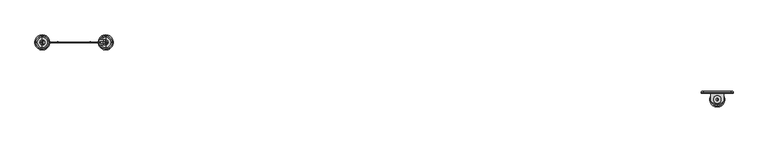
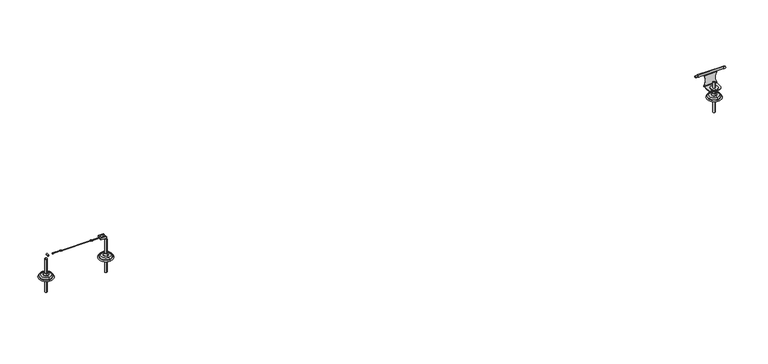
"""IFC4 building model written with IfcOpenShell, lengths in millimetres: proxy geometry."""

from ifc_helpers import new_model, si_unit, point, frame, frame_2d, origin, place, context, project, spatial, polyline, circle_curve, ellipse_curve, trimmed, segment, composite_curve, outline, extrude, source, transform, mapped, element, save
from ifc_brep_helpers import plane_surface, cylinder_surface, revolved_surface, advanced_brep


def specialty_equipment_7d4fa14a(model_context):
    return source(origin(), model_context, "Body", "SolidModel", [
        extrude(outline(composite_curve([segment(trimmed(circle_curve(frame_2d((4050.0, -42.6378375)), 22.5), [point((4050.0, -20.1378375))], [point((4050.0, -65.1378375))], False, "CARTESIAN"), True, "CONTINUOUS"), segment(trimmed(circle_curve(frame_2d((4050.0, -42.6378375)), 22.5), [point((4050.0, -65.1378375))], [point((4050.0, -20.1378375))], False, "CARTESIAN"), True, "CONTINUOUS")], self_intersect=False)), frame((0.0, 0.0, 60.0), z_axis=(0.0, 0.0, 1.0), x_axis=(1.0, 0.0, 0.0)), (0.0, 0.0, 1.0), 3.0),
        extrude(outline(polyline([(4060.3923048, -42.6378375), (4055.1961524, -51.6378375), (4044.8038476, -51.6378375), (4039.6076952, -42.6378375), (4044.8038476, -33.6378375), (4055.1961524, -33.6378375), (4060.3923048, -42.6378375)]), holes=[composite_curve([segment(trimmed(circle_curve(frame_2d((4050.0, -42.6378375)), 7.0), [point((4050.0, -49.6378375))], [point((4050.0, -35.6378375))], True, "CARTESIAN"), True, "CONTINUOUS"), segment(trimmed(circle_curve(frame_2d((4050.0, -42.6378375)), 7.0), [point((4050.0, -35.6378375))], [point((4050.0, -49.6378375))], True, "CARTESIAN"), True, "CONTINUOUS")], self_intersect=False)]), frame((0.0, 0.0, 44.0), z_axis=(0.0, 0.0, 1.0), x_axis=(1.0, 0.0, 0.0)), (0.0, 0.0, 1.0), 10.0),
        extrude(outline(composite_curve([segment(trimmed(circle_curve(frame_2d((4050.0, -42.6378375)), 22.5), [point((4027.5, -42.6378375))], [point((4072.5, -42.6378375))], False, "CARTESIAN"), True, "CONTINUOUS"), segment(trimmed(circle_curve(frame_2d((4050.0, -42.6378375)), 22.5), [point((4072.5, -42.6378375))], [point((4027.5, -42.6378375))], False, "CARTESIAN"), True, "CONTINUOUS")], self_intersect=False)), frame((0.0, 0.0, 54.0), z_axis=(0.0, 0.0, 1.0), x_axis=(1.0, 0.0, 0.0)), (0.0, 0.0, 1.0), 3.0),
        advanced_brep(
        [(4050.0, -35.6378375, 0.0), (4050.0, -49.6378375, 0.0), (4050.0, -87.5, 0.0), (4050.0, 2.2243251, 0.0), (4050.0, -35.6378375, -100.0), (4050.0, -49.6378375, -100.0), (4050.0, -42.6378375, -100.0), (4050.0, -35.6378375, 100.0), (4050.0, -49.6378375, 100.0), (4050.0, -42.6378375, 100.0), (4050.0, -35.6378375, 27.7539053), (4050.0, -49.6378375, 27.7539053), (4050.0, -29.1390573, 17.8765248), (4050.0, -56.1366177, 17.8765248), (4050.0, -50.7334934, 24.6304301), (4050.0, -34.5421815, 24.6304301), (4050.0, -12.6116231, 16.0), (4050.0, -72.6640518, 16.0), (4050.0, -60.0409617, 16.0), (4050.0, -25.2347132, 16.0), (4050.0, -5.1378375, 8.5262143), (4050.0, -80.1378375, 8.5262143), (4050.0, -5.1378375, 6.8656759), (4050.0, -80.1378375, 6.8656759), (4050.0, -4.3273689, 5.8712826), (4050.0, -80.948306, 5.8712826)],
        [
            (0, 1, circle_curve(frame((4050.0, -42.6378375, 0.0), z_axis=(0.0, 0.0, 1.0), x_axis=(0.0, -1.0, 0.0)), 7.0)),
            (1, 2),
            (2, 3, circle_curve(frame((4050.0, -42.6378375, 0.0), z_axis=(0.0, 0.0, -1.0), x_axis=(0.0, -1.0, 0.0)), 44.8621625)),
            (3, 0),
            (1, 0, circle_curve(frame((4050.0, -42.6378375, 0.0), z_axis=(0.0, 0.0, 1.0), x_axis=(0.0, -1.0, 0.0)), 7.0)),
            (3, 2, circle_curve(frame((4050.0, -42.6378375, 0.0), z_axis=(0.0, 0.0, -1.0), x_axis=(0.0, -1.0, 0.0)), 44.8621625)),
            (4, 5, circle_curve(frame((4050.0, -42.6378375, -100.0), z_axis=(0.0, 0.0, 1.0), x_axis=(0.0, -1.0, 0.0)), 7.0)),
            (5, 1),
            (0, 4),
            (5, 4, circle_curve(frame((4050.0, -42.6378375, -100.0), z_axis=(0.0, 0.0, 1.0), x_axis=(0.0, -1.0, 0.0)), 7.0)),
            (6, 5),
            (4, 6),
            (7, 8, circle_curve(frame((4050.0, -42.6378375, 100.0), z_axis=(0.0, 0.0, 1.0), x_axis=(0.0, -1.0, 0.0)), 7.0)),
            (8, 9),
            (9, 7),
            (8, 7, circle_curve(frame((4050.0, -42.6378375, 100.0), z_axis=(0.0, 0.0, 1.0), x_axis=(0.0, -1.0, 0.0)), 7.0)),
            (10, 11, circle_curve(frame((4050.0, -42.6378375, 27.7539053), z_axis=(0.0, 0.0, 1.0), x_axis=(0.0, -1.0, 0.0)), 7.0)),
            (11, 8),
            (7, 10),
            (11, 10, circle_curve(frame((4050.0, -42.6378375, 27.7539053), z_axis=(0.0, 0.0, 1.0), x_axis=(0.0, -1.0, 0.0)), 7.0)),
            (12, 13, circle_curve(frame((4050.0, -42.6378375, 17.8765248), z_axis=(0.0, 0.0, 1.0), x_axis=(0.0, -1.0, 0.0)), 13.4987802)),
            (13, 14),
            (14, 15, circle_curve(frame((4050.0, -42.6378375, 24.6304301), z_axis=(0.0, 0.0, -1.0), x_axis=(0.0, -1.0, 0.0)), 8.095656)),
            (15, 12),
            (13, 12, circle_curve(frame((4050.0, -42.6378375, 17.8765248), z_axis=(0.0, 0.0, 1.0), x_axis=(0.0, -1.0, 0.0)), 13.4987802)),
            (15, 14, circle_curve(frame((4050.0, -42.6378375, 24.6304301), z_axis=(0.0, 0.0, -1.0), x_axis=(0.0, -1.0, 0.0)), 8.095656)),
            (16, 17, circle_curve(frame((4050.0, -42.6378375, 16.0), z_axis=(0.0, 0.0, 1.0), x_axis=(0.0, -1.0, 0.0)), 30.0262143)),
            (17, 18),
            (18, 19, circle_curve(frame((4050.0, -42.6378375, 16.0), z_axis=(0.0, 0.0, -1.0), x_axis=(0.0, -1.0, 0.0)), 17.4031242)),
            (19, 16),
            (17, 16, circle_curve(frame((4050.0, -42.6378375, 16.0), z_axis=(0.0, 0.0, 1.0), x_axis=(0.0, -1.0, 0.0)), 30.0262143)),
            (19, 18, circle_curve(frame((4050.0, -42.6378375, 16.0), z_axis=(0.0, 0.0, -1.0), x_axis=(0.0, -1.0, 0.0)), 17.4031242)),
            (20, 21, circle_curve(frame((4050.0, -42.6378375, 8.5262143), z_axis=(0.0, 0.0, 1.0), x_axis=(0.0, -1.0, 0.0)), 37.5)),
            (21, 17, circle_curve(frame((4050.0, -72.6640518, 8.5262143), z_axis=(-1.0, 0.0, 0.0), x_axis=(0.0, 1.0, 0.0)), 7.4737857)),
            (16, 20, circle_curve(frame((4050.0, -12.6116231, 8.5262143), z_axis=(-1.0, 0.0, 0.0), x_axis=(0.0, -1.0, 0.0)), 7.4737857)),
            (21, 20, circle_curve(frame((4050.0, -42.6378375, 8.5262143), z_axis=(0.0, 0.0, 1.0), x_axis=(0.0, -1.0, 0.0)), 37.5)),
            (22, 23, circle_curve(frame((4050.0, -42.6378375, 6.8656759), z_axis=(0.0, 0.0, 1.0), x_axis=(0.0, -1.0, 0.0)), 37.5)),
            (23, 21),
            (20, 22),
            (23, 22, circle_curve(frame((4050.0, -42.6378375, 6.8656759), z_axis=(0.0, 0.0, 1.0), x_axis=(0.0, -1.0, 0.0)), 37.5)),
            (14, 11, circle_curve(frame((4050.0, -54.6378375, 27.7539053), z_axis=(1.0, 0.0, 0.0), x_axis=(0.0, 1.0, 0.0)), 5.0)),
            (10, 15, circle_curve(frame((4050.0, -30.6378375, 27.7539053), z_axis=(1.0, 0.0, 0.0), x_axis=(0.0, -1.0, 0.0)), 5.0)),
            (18, 13, circle_curve(frame((4050.0, -60.0409617, 21.0), z_axis=(1.0, 0.0, 0.0), x_axis=(0.0, 1.0, 0.0)), 5.0)),
            (12, 19, circle_curve(frame((4050.0, -25.2347132, 21.0), z_axis=(1.0, 0.0, 0.0), x_axis=(0.0, -1.0, 0.0)), 5.0)),
            (24, 25, circle_curve(frame((4050.0, -42.6378375, 5.8712826), z_axis=(0.0, 0.0, 1.0), x_axis=(0.0, -1.0, 0.0)), 38.3104685)),
            (25, 23, circle_curve(frame((4050.0, -81.1531003, 6.8656759), z_axis=(1.0, 0.0, 0.0), x_axis=(0.0, 1.0, 0.0)), 1.0152629)),
            (22, 24, circle_curve(frame((4050.0, -4.1225746, 6.8656759), z_axis=(1.0, 0.0, 0.0), x_axis=(0.0, -1.0, 0.0)), 1.0152629)),
            (25, 24, circle_curve(frame((4050.0, -42.6378375, 5.8712826), z_axis=(0.0, 0.0, 1.0), x_axis=(0.0, -1.0, 0.0)), 38.3104685)),
            (2, 25, circle_curve(frame((4050.0, -79.1858246, -2.686569), z_axis=(-1.0, 0.0, 0.0), x_axis=(0.0, 1.0, 0.0)), 8.7374576)),
            (24, 3, circle_curve(frame((4050.0, -6.0898503, -2.686569), z_axis=(-1.0, 0.0, 0.0), x_axis=(0.0, -1.0, 0.0)), 8.7374576)),
        ],
        [
            plane_surface(frame((4050.0, -42.6378375, 0.0), z_axis=(0.0, 0.0, -1.0), x_axis=(0.0, -1.0, 0.0))),
            cylinder_surface(frame((4050.0, -42.6378375, 93.0), z_axis=(0.0, 0.0, -1.0), x_axis=(0.0, -1.0, 0.0)), 7.0),
            plane_surface(frame((4050.0, -42.6378375, -100.0), z_axis=(0.0, 0.0, -1.0), x_axis=(0.0, -1.0, 0.0))),
            plane_surface(frame((4050.0, -42.6378375, 100.0), z_axis=(0.0, 0.0, 1.0), x_axis=(0.0, -1.0, 0.0))),
            revolved_surface(polyline([(4050.0, -50.7334934, 24.6304301), (4050.0, -56.1366177, 17.8765248)]), (4050.0, -42.6378375, 93.0), (0.0, 0.0, -1.0)),
            plane_surface(frame((4050.0, -42.6378375, 16.0), z_axis=(0.0, 0.0, 1.0), x_axis=(0.0, -1.0, 0.0))),
            revolved_surface(trimmed(ellipse_curve(frame((4050.0, -72.6640518, 8.5262143), z_axis=(1.0, 0.0, 0.0), x_axis=(0.0, 1.0, 0.0)), 7.4737857, 7.4737857), [point((4050.0, -72.6640518, 16.0))], [point((4050.0, -80.1378375, 8.5262143))], True, "CARTESIAN"), (4050.0, -42.6378375, 93.0), (0.0, 0.0, -1.0)),
            cylinder_surface(frame((4050.0, -42.6378375, 93.0), z_axis=(0.0, 0.0, -1.0), x_axis=(0.0, -1.0, 0.0)), 37.5),
            revolved_surface(trimmed(ellipse_curve(frame((4050.0, -54.6378375, 27.7539053), z_axis=(-1.0, 0.0, 0.0), x_axis=(0.0, 1.0, 0.0)), 5.0, 5.0), [point((4050.0, -49.6378375, 27.7539053))], [point((4050.0, -50.7334934, 24.6304301))], True, "CARTESIAN"), (4050.0, -42.6378375, 93.0), (0.0, 0.0, -1.0)),
            revolved_surface(trimmed(ellipse_curve(frame((4050.0, -60.0409617, 21.0), z_axis=(-1.0, 0.0, 0.0), x_axis=(0.0, 1.0, 0.0)), 5.0, 5.0), [point((4050.0, -56.1366177, 17.8765248))], [point((4050.0, -60.0409617, 16.0))], True, "CARTESIAN"), (4050.0, -42.6378375, 93.0), (0.0, 0.0, -1.0)),
            revolved_surface(trimmed(ellipse_curve(frame((4050.0, -81.1531003, 6.8656759), z_axis=(-1.0, 0.0, 0.0), x_axis=(0.0, 1.0, 0.0)), 1.0152629, 1.0152629), [point((4050.0, -80.1378375, 6.8656759))], [point((4050.0, -80.948306, 5.8712826))], True, "CARTESIAN"), (4050.0, -42.6378375, 93.0), (0.0, 0.0, -1.0)),
            revolved_surface(trimmed(ellipse_curve(frame((4050.0, -79.1858246, -2.686569), z_axis=(1.0, 0.0, 0.0), x_axis=(0.0, 1.0, 0.0)), 8.7374576, 8.7374576), [point((4050.0, -80.948306, 5.8712826))], [point((4050.0, -87.5, 0.0))], True, "CARTESIAN"), (4050.0, -42.6378375, 93.0), (0.0, 0.0, -1.0)),
        ],
        [
            (0, [[1, 2, 3, 4]]),
            (0, [[5, -4, 6, -2]]),
            (1, [[7, 8, -1, 9]]),
            (1, [[10, -9, -5, -8]]),
            (2, [[11, -7, 12]]),
            (2, [[-12, -10, -11]]),
            (3, [[13, 14, 15]]),
            (3, [[16, -15, -14]]),
            (1, [[17, 18, -13, 19]]),
            (1, [[20, -19, -16, -18]]),
            (4, [[21, 22, 23, 24]]),
            (4, [[25, -24, 26, -22]]),
            (5, [[27, 28, 29, 30]]),
            (5, [[31, -30, 32, -28]]),
            (6, [[33, 34, -27, 35]]),
            (6, [[36, -35, -31, -34]]),
            (7, [[37, 38, -33, 39]]),
            (7, [[40, -39, -36, -38]]),
            (8, [[-23, 41, -17, 42]]),
            (8, [[-26, -42, -20, -41]]),
            (9, [[-29, 43, -21, 44]]),
            (9, [[-32, -44, -25, -43]]),
            (10, [[45, 46, -37, 47]]),
            (10, [[48, -47, -40, -46]]),
            (11, [[-3, 49, -45, 50]]),
            (11, [[-6, -50, -48, -49]]),
        ],
    ),
        advanced_brep(
        [(4090.0, -1.0, 57.0), (4090.0, 2.0, 60.0), (4090.0, 2.0, 63.0), (4090.0, -1.0, 63.0), (4090.0, -4.0, 60.0), (4090.0, -38.5, 60.0), (4090.0, -38.5, 57.0), (4090.0, 2.0, 130.6941216), (4090.0, 2.1809221, 131.6278656), (4090.0, 4.1490388, 138.4964536), (4090.0, 0.0, 137.0), (4090.0, -3.3038426, 137.9022661), (4090.0, -1.1809221, 131.720182), (4090.0, -1.0, 130.6941216), (4010.0, -4.0, 60.0), (4010.0, -1.0, 63.0), (4010.0, 2.0, 63.0), (4010.0, 2.0, 60.0), (4010.0, -1.0, 57.0), (4010.0, -38.5, 57.0), (4010.0, -38.5, 60.0), (4010.0, -1.0, 130.6941216), (4010.0, -1.1809221, 131.720182), (4010.0, -3.3038426, 137.9022661), (4010.0, 0.0, 137.0), (4010.0, 4.1490388, 138.4964536), (4010.0, 2.1809221, 131.6278656), (4010.0, 2.0, 130.6941216), (4040.0, -68.5, 60.0), (4060.0, -68.5, 60.0), (4040.0, -68.5, 57.0), (4060.0, -68.5, 57.0), (3970.0881149, 0.0, 137.0), (3970.0881149, 0.0, 150.0), (4129.9118851, 0.0, 150.0), (4129.9118851, 0.0, 137.0), (4144.9999054, 0.0, 138.5), (4144.9999054, 0.0, 148.5), (3955.0000946, 0.0, 148.5), (3955.0000946, 0.0, 138.5), (3965.411439, 0.0, 149.7256681), (3965.411439, 0.0, 137.2743319), (4134.588561, 0.0, 137.2743319), (4134.588561, 0.0, 149.7256681)],
        [
            (0, 1, circle_curve(frame((4090.0, -1.0, 60.0), z_axis=(1.0, 0.0, 0.0), x_axis=(0.0, 1.0, 0.0)), 3.0)),
            (1, 2),
            (2, 3),
            (3, 4, circle_curve(frame((4090.0, -4.0, 63.0), z_axis=(-1.0, 0.0, 0.0), x_axis=(0.0, 1.0, 0.0)), 3.0)),
            (4, 5),
            (5, 6),
            (6, 0),
            (7, 8, circle_curve(frame((4090.0, 4.5, 130.6941216), z_axis=(-1.0, 0.0, 0.0), x_axis=(0.0, 1.0, 0.0)), 2.5)),
            (8, 9),
            (9, 10, circle_curve(frame((4090.0, 0.0, 143.5), z_axis=(-1.0, 0.0, 0.0), x_axis=(0.0, 0.0, 1.0)), 6.5)),
            (10, 11, circle_curve(frame((4090.0, 0.0, 143.5), z_axis=(-1.0, 0.0, 0.0), x_axis=(0.0, 0.0, 1.0)), 6.5)),
            (11, 12),
            (12, 13, circle_curve(frame((4090.0, -4.0, 130.6941216), z_axis=(-1.0, 0.0, 0.0), x_axis=(0.0, 1.0, 0.0)), 3.0)),
            (13, 7),
            (14, 15, circle_curve(frame((4010.0, -4.0, 63.0), z_axis=(1.0, 0.0, 0.0), x_axis=(0.0, 1.0, 0.0)), 3.0)),
            (15, 16),
            (16, 17),
            (17, 18, circle_curve(frame((4010.0, -1.0, 60.0), z_axis=(-1.0, 0.0, 0.0), x_axis=(0.0, 1.0, 0.0)), 3.0)),
            (18, 19),
            (19, 20),
            (20, 14),
            (21, 22, circle_curve(frame((4010.0, -4.0, 130.6941216), z_axis=(1.0, 0.0, 0.0), x_axis=(0.0, 1.0, 0.0)), 3.0)),
            (22, 23),
            (23, 24, circle_curve(frame((4010.0, 0.0, 143.5), z_axis=(1.0, 0.0, 0.0), x_axis=(0.0, 0.0, 1.0)), 6.5)),
            (24, 25, circle_curve(frame((4010.0, 0.0, 143.5), z_axis=(1.0, 0.0, 0.0), x_axis=(0.0, 0.0, 1.0)), 6.5)),
            (25, 26),
            (26, 27, circle_curve(frame((4010.0, 4.5, 130.6941216), z_axis=(1.0, 0.0, 0.0), x_axis=(0.0, 1.0, 0.0)), 2.5)),
            (27, 21),
            (0, 18),
            (17, 1),
            (16, 27, circle_curve(frame((3948.7270331, 2.0, 96.8470608), z_axis=(0.0, -1.0, 0.0), x_axis=(0.0, 0.0, 1.0)), 70.0)),
            (27, 7),
            (7, 2, circle_curve(frame((4151.2729669, 2.0, 96.8470608), z_axis=(0.0, -1.0, 0.0), x_axis=(0.0, 0.0, 1.0)), 70.0)),
            (3, 15),
            (14, 4),
            (20, 28, circle_curve(frame((4040.0, -38.5, 60.0), z_axis=(0.0, 0.0, 1.0), x_axis=(1.0, 0.0, 0.0)), 30.0)),
            (28, 29),
            (29, 5, circle_curve(frame((4060.0, -38.5, 60.0), z_axis=(0.0, 0.0, 1.0), x_axis=(1.0, 0.0, 0.0)), 30.0)),
            (28, 30),
            (30, 31),
            (31, 29),
            (6, 31, circle_curve(frame((4060.0, -38.5, 57.0), z_axis=(0.0, 0.0, -1.0), x_axis=(1.0, 0.0, 0.0)), 30.0)),
            (30, 19, circle_curve(frame((4040.0, -38.5, 57.0), z_axis=(0.0, 0.0, -1.0), x_axis=(1.0, 0.0, 0.0)), 30.0)),
            (3, 13, circle_curve(frame((4151.2729669, -1.0, 96.8470608), z_axis=(0.0, 1.0, 0.0), x_axis=(0.0, 0.0, 1.0)), 70.0)),
            (13, 21),
            (21, 15, circle_curve(frame((3948.7270331, -1.0, 96.8470608), z_axis=(0.0, 1.0, 0.0), x_axis=(0.0, 0.0, 1.0)), 70.0)),
            (8, 26),
            (25, 9),
            (22, 12),
            (11, 23),
            (32, 33, circle_curve(frame((3970.0881149, 0.0, 143.5), z_axis=(1.0, 0.0, 0.0), x_axis=(0.0, 0.0, 1.0)), 6.5)),
            (33, 34),
            (34, 35, circle_curve(frame((4129.9118851, 0.0, 143.5), z_axis=(-1.0, 0.0, 0.0), x_axis=(0.0, 0.0, 1.0)), 6.5)),
            (35, 10),
            (24, 32),
            (33, 32, circle_curve(frame((3970.0881149, 0.0, 143.5), z_axis=(1.0, 0.0, 0.0), x_axis=(0.0, 0.0, 1.0)), 6.5)),
            (35, 34, circle_curve(frame((4129.9118851, 0.0, 143.5), z_axis=(-1.0, 0.0, 0.0), x_axis=(0.0, 0.0, 1.0)), 6.5)),
            (36, 37, circle_curve(frame((4144.9999054, 0.0, 143.5), z_axis=(1.0, 0.0, 0.0), x_axis=(0.0, 0.0, 1.0)), 5.0)),
            (37, 38),
            (38, 39, circle_curve(frame((3955.0000946, 0.0, 143.5), z_axis=(-1.0, 0.0, 0.0), x_axis=(0.0, 0.0, 1.0)), 5.0)),
            (39, 36),
            (37, 36, circle_curve(frame((4144.9999054, 0.0, 143.5), z_axis=(1.0, 0.0, 0.0), x_axis=(0.0, 0.0, 1.0)), 5.0)),
            (39, 38, circle_curve(frame((3955.0000946, 0.0, 143.5), z_axis=(-1.0, 0.0, 0.0), x_axis=(0.0, 0.0, 1.0)), 5.0)),
            (38, 40),
            (40, 41, circle_curve(frame((3965.411439, 0.0, 143.5), z_axis=(-1.0, 0.0, 0.0), x_axis=(0.0, 0.0, 1.0)), 6.2256681)),
            (41, 39),
            (41, 40, circle_curve(frame((3965.411439, 0.0, 143.5), z_axis=(-1.0, 0.0, 0.0), x_axis=(0.0, 0.0, 1.0)), 6.2256681)),
            (36, 42),
            (42, 43, circle_curve(frame((4134.588561, 0.0, 143.5), z_axis=(1.0, 0.0, 0.0), x_axis=(0.0, 0.0, 1.0)), 6.2256681)),
            (43, 37),
            (43, 42, circle_curve(frame((4134.588561, 0.0, 143.5), z_axis=(1.0, 0.0, 0.0), x_axis=(0.0, 0.0, 1.0)), 6.2256681)),
            (34, 43, circle_curve(frame((4129.9118851, 0.0, 110.0), z_axis=(0.0, 1.0, 0.0), x_axis=(-1.0, 0.0, 0.0)), 40.0)),
            (42, 35, circle_curve(frame((4129.9118851, 0.0, 177.0), z_axis=(0.0, 1.0, 0.0), x_axis=(-1.0, 0.0, 0.0)), 40.0)),
            (32, 41, circle_curve(frame((3970.0881149, 0.0, 177.0), z_axis=(0.0, 1.0, 0.0), x_axis=(-1.0, 0.0, 0.0)), 40.0)),
            (40, 33, circle_curve(frame((3970.0881149, 0.0, 110.0), z_axis=(0.0, 1.0, 0.0), x_axis=(-1.0, 0.0, 0.0)), 40.0)),
        ],
        [
            plane_surface(frame((4090.0, 2.0, 60.0), z_axis=(1.0, 0.0, 0.0), x_axis=(0.0, 0.0, 1.0))),
            plane_surface(frame((4010.0, 2.0, 60.0), z_axis=(-1.0, 0.0, 0.0), x_axis=(0.0, 0.0, -1.0))),
            cylinder_surface(frame((4010.0, -1.0, 60.0), z_axis=(1.0, 0.0, 0.0), x_axis=(0.0, 1.0, 0.0)), 3.0),
            plane_surface(frame((4090.0, 2.0, 60.0), z_axis=(0.0, 1.0, 0.0), x_axis=(-1.0, 0.0, 0.0))),
            revolved_surface(polyline([(4010.0, -1.0, 63.0), (4090.0, -1.0, 63.0)]), (4010.0, -4.0, 63.0), (-1.0, 0.0, 0.0)),
            plane_surface(frame((4090.0, -4.0, 60.0), z_axis=(0.0, 0.0, 1.0), x_axis=(-1.0, 0.0, 0.0))),
            plane_surface(frame((4090.0, -68.5, 60.0), z_axis=(0.0, -1.0, 0.0), x_axis=(-1.0, 0.0, 0.0))),
            plane_surface(frame((4090.0, -68.5, 57.0), z_axis=(0.0, 0.0, -1.0), x_axis=(-1.0, 0.0, 0.0))),
            plane_surface(frame((4090.0, -1.0, 130.6941216), z_axis=(0.0, -1.0, 0.0), x_axis=(-1.0, 0.0, 0.0))),
            plane_surface(frame((4090.0, 2.1809221, 131.6278656), z_axis=(0.0, 0.9613143075666197, -0.2754538111330294), x_axis=(-1.0, 0.0, 0.0))),
            plane_surface(frame((4090.0, -3.5026758, 138.4812817), z_axis=(0.0, -0.9457886598192529, -0.3247827134520888), x_axis=(-1.0, 0.0, 0.0))),
            revolved_surface(polyline([(4010.0, 7.0, 130.6941216), (4090.0, 7.0, 130.6941216)]), (4010.0, 4.5, 130.6941216), (-1.0, 0.0, 0.0)),
            revolved_surface(polyline([(4010.0, -1.0, 130.6941216), (4090.0, -1.0, 130.6941216)]), (4010.0, -4.0, 130.6941216), (-1.0, 0.0, 0.0)),
            revolved_surface(polyline([(3948.7270331, 2.0, 166.8470608), (3948.7270331, -1.0, 166.8470608)]), (3948.7270331, -1.0, 96.8470608), (0.0, 1.0, 0.0)),
            revolved_surface(polyline([(4151.2729669, 2.0, 166.8470608), (4151.2729669, -1.0, 166.8470608)]), (4151.2729669, -1.0, 96.8470608), (0.0, 1.0, 0.0)),
            cylinder_surface(frame((4040.0, -38.5, 60.0), z_axis=(0.0, 0.0, 1.0), x_axis=(1.0, 0.0, 0.0)), 30.0),
            cylinder_surface(frame((4060.0, -38.5, 60.0), z_axis=(0.0, 0.0, 1.0), x_axis=(1.0, 0.0, 0.0)), 30.0),
            cylinder_surface(frame((3955.0, 0.0, 143.5), z_axis=(-1.0, 0.0, 0.0), x_axis=(0.0, 0.0, 1.0)), 6.5),
            revolved_surface(polyline([(3955.0000946, 0.0, 148.5), (4144.9999054, 0.0, 148.5)]), (3955.0, 0.0, 143.5), (-1.0, 0.0, 0.0)),
            revolved_surface(polyline([(3965.411439, 0.0, 149.7256681), (3955.0000946, 0.0, 148.5)]), (3955.0, 0.0, 143.5), (-1.0, 0.0, 0.0)),
            revolved_surface(polyline([(4144.9999054, 0.0, 148.5), (4134.588561, 0.0, 149.7256681)]), (3955.0, 0.0, 143.5), (-1.0, 0.0, 0.0)),
            revolved_surface(trimmed(ellipse_curve(frame((4129.9118851, 0.0, 110.0), z_axis=(0.0, -1.0, 0.0), x_axis=(-1.0, 0.0, 0.0)), 40.0, 40.0), [point((4134.588561, 0.0, 149.7256681))], [point((4129.9118851, 0.0, 150.0))], True, "CARTESIAN"), (3955.0, 0.0, 143.5), (-1.0, 0.0, 0.0)),
            revolved_surface(trimmed(ellipse_curve(frame((3970.0881149, 0.0, 110.0), z_axis=(0.0, -1.0, 0.0), x_axis=(-1.0, 0.0, 0.0)), 40.0, 40.0), [point((3970.0881149, 0.0, 150.0))], [point((3965.411439, 0.0, 149.7256681))], True, "CARTESIAN"), (3955.0, 0.0, 143.5), (-1.0, 0.0, 0.0)),
        ],
        [
            (0, [[1, 2, 3, 4, 5, 6, 7]]),
            (0, [[8, 9, 10, 11, 12, 13, 14]]),
            (1, [[15, 16, 17, 18, 19, 20, 21]]),
            (1, [[22, 23, 24, 25, 26, 27, 28]]),
            (2, [[-1, 29, -18, 30]]),
            (3, [[-30, -17, 31, 32, 33, -2]]),
            (4, [[-4, 34, -15, 35]]),
            (5, [[-35, -21, 36, 37, 38, -5]]),
            (6, [[-37, 39, 40, 41]]),
            (7, [[-29, -7, 42, -40, 43, -19]]),
            (8, [[-34, 44, 45, 46]]),
            (9, [[47, -26, 48, -9]]),
            (10, [[49, -12, 50, -23]]),
            (11, [[-8, -32, -27, -47]]),
            (12, [[-13, -49, -22, -45]]),
            (13, [[-16, -46, -28, -31]]),
            (14, [[-14, -44, -3, -33]]),
            (15, [[-20, -43, -39, -36]]),
            (16, [[-6, -38, -41, -42]]),
            (17, [[51, 52, 53, 54, -10, -48, -25, 55]]),
            (17, [[-52, 56, -55, -24, -50, -11, -54, 57]]),
            (18, [[58, 59, 60, 61]]),
            (18, [[-59, 62, -61, 63]]),
            (19, [[-60, 64, 65, 66]]),
            (19, [[-63, -66, 67, -64]]),
            (20, [[-58, 68, 69, 70]]),
            (20, [[-62, -70, 71, -68]]),
            (21, [[-53, 72, -69, 73]]),
            (21, [[-57, -73, -71, -72]]),
            (22, [[-51, 74, -65, 75]]),
            (22, [[-56, -75, -67, -74]]),
        ],
    ),
        advanced_brep(
        [(0.0, 345.0, 0.0), (0.0, 255.0, 0.0), (0.0, 293.0, 0.0), (0.0, 307.0, 0.0), (0.0, 293.0, -100.0), (0.0, 307.0, -100.0), (0.0, 300.0, -100.0), (0.0, 300.0, 121.6303144), (0.0, 293.1, 121.6303144), (0.0, 306.9, 121.6303144), (0.0, 293.1, 28.0512021), (0.0, 306.9, 28.0512021), (0.0, 307.995656, 24.9277269), (0.0, 292.004344, 24.9277269), (0.0, 286.3633823, 17.8765248), (0.0, 313.6366177, 17.8765248), (0.0, 317.5409617, 16.0), (0.0, 282.4590383, 16.0), (0.0, 269.8359482, 16.0), (0.0, 330.1640518, 16.0), (0.0, 262.3621625, 8.5262143), (0.0, 337.6378375, 8.5262143), (0.0, 262.3621625, 6.8656759), (0.0, 337.6378375, 6.8656759), (0.0, 261.551694, 5.8712826), (0.0, 338.448306, 5.8712826)],
        [
            (0, 1, circle_curve(frame((0.0, 300.0, 0.0), z_axis=(0.0, 0.0, -1.0), x_axis=(0.0, -1.0, 0.0)), 45.0)),
            (1, 2),
            (2, 3, circle_curve(frame((0.0, 300.0, 0.0), z_axis=(0.0, 0.0, 1.0), x_axis=(0.0, -1.0, 0.0)), 7.0)),
            (3, 0),
            (1, 0, circle_curve(frame((0.0, 300.0, 0.0), z_axis=(0.0, 0.0, -1.0), x_axis=(0.0, -1.0, 0.0)), 45.0)),
            (3, 2, circle_curve(frame((0.0, 300.0, 0.0), z_axis=(0.0, 0.0, 1.0), x_axis=(0.0, -1.0, 0.0)), 7.0)),
            (2, 4),
            (4, 5, circle_curve(frame((0.0, 300.0, -100.0), z_axis=(0.0, 0.0, 1.0), x_axis=(0.0, -1.0, 0.0)), 7.0)),
            (5, 3),
            (5, 4, circle_curve(frame((0.0, 300.0, -100.0), z_axis=(0.0, 0.0, 1.0), x_axis=(0.0, -1.0, 0.0)), 7.0)),
            (4, 6),
            (6, 5),
            (7, 8),
            (8, 9, circle_curve(frame((0.0, 300.0, 121.6303144), z_axis=(0.0, 0.0, 1.0), x_axis=(0.0, -1.0, 0.0)), 6.9)),
            (9, 7),
            (9, 8, circle_curve(frame((0.0, 300.0, 121.6303144), z_axis=(0.0, 0.0, 1.0), x_axis=(0.0, -1.0, 0.0)), 6.9)),
            (8, 10),
            (10, 11, circle_curve(frame((0.0, 300.0, 28.0512021), z_axis=(0.0, 0.0, 1.0), x_axis=(0.0, -1.0, 0.0)), 6.9)),
            (11, 9),
            (11, 10, circle_curve(frame((0.0, 300.0, 28.0512021), z_axis=(0.0, 0.0, 1.0), x_axis=(0.0, -1.0, 0.0)), 6.9)),
            (12, 13, circle_curve(frame((0.0, 300.0, 24.9277269), z_axis=(0.0, 0.0, -1.0), x_axis=(0.0, -1.0, 0.0)), 7.995656)),
            (13, 14),
            (14, 15, circle_curve(frame((0.0, 300.0, 17.8765248), z_axis=(0.0, 0.0, 1.0), x_axis=(0.0, -1.0, 0.0)), 13.6366177)),
            (15, 12),
            (13, 12, circle_curve(frame((0.0, 300.0, 24.9277269), z_axis=(0.0, 0.0, -1.0), x_axis=(0.0, -1.0, 0.0)), 7.995656)),
            (15, 14, circle_curve(frame((0.0, 300.0, 17.8765248), z_axis=(0.0, 0.0, 1.0), x_axis=(0.0, -1.0, 0.0)), 13.6366177)),
            (16, 17, circle_curve(frame((0.0, 300.0, 16.0), z_axis=(0.0, 0.0, -1.0), x_axis=(0.0, -1.0, 0.0)), 17.5409617)),
            (17, 18),
            (18, 19, circle_curve(frame((0.0, 300.0, 16.0), z_axis=(0.0, 0.0, 1.0), x_axis=(0.0, -1.0, 0.0)), 30.1640518)),
            (19, 16),
            (17, 16, circle_curve(frame((0.0, 300.0, 16.0), z_axis=(0.0, 0.0, -1.0), x_axis=(0.0, -1.0, 0.0)), 17.5409617)),
            (19, 18, circle_curve(frame((0.0, 300.0, 16.0), z_axis=(0.0, 0.0, 1.0), x_axis=(0.0, -1.0, 0.0)), 30.1640518)),
            (18, 20, circle_curve(frame((0.0, 269.8359482, 8.5262143), z_axis=(1.0, 0.0, 0.0), x_axis=(0.0, 1.0, 0.0)), 7.4737857)),
            (20, 21, circle_curve(frame((0.0, 300.0, 8.5262143), z_axis=(0.0, 0.0, 1.0), x_axis=(0.0, -1.0, 0.0)), 37.6378375)),
            (21, 19, circle_curve(frame((0.0, 330.1640518, 8.5262143), z_axis=(1.0, 0.0, 0.0), x_axis=(0.0, -1.0, 0.0)), 7.4737857)),
            (21, 20, circle_curve(frame((0.0, 300.0, 8.5262143), z_axis=(0.0, 0.0, 1.0), x_axis=(0.0, -1.0, 0.0)), 37.6378375)),
            (20, 22),
            (22, 23, circle_curve(frame((0.0, 300.0, 6.8656759), z_axis=(0.0, 0.0, 1.0), x_axis=(0.0, -1.0, 0.0)), 37.6378375)),
            (23, 21),
            (23, 22, circle_curve(frame((0.0, 300.0, 6.8656759), z_axis=(0.0, 0.0, 1.0), x_axis=(0.0, -1.0, 0.0)), 37.6378375)),
            (10, 13, circle_curve(frame((0.0, 288.1, 28.0512021), z_axis=(-1.0, 0.0, 0.0), x_axis=(0.0, 1.0, 0.0)), 5.0)),
            (12, 11, circle_curve(frame((0.0, 311.9, 28.0512021), z_axis=(-1.0, 0.0, 0.0), x_axis=(0.0, -1.0, 0.0)), 5.0)),
            (14, 17, circle_curve(frame((0.0, 282.4590383, 21.0), z_axis=(-1.0, 0.0, 0.0), x_axis=(0.0, 1.0, 0.0)), 5.0)),
            (16, 15, circle_curve(frame((0.0, 317.5409617, 21.0), z_axis=(-1.0, 0.0, 0.0), x_axis=(0.0, -1.0, 0.0)), 5.0)),
            (22, 24, circle_curve(frame((0.0, 261.3468997, 6.8656759), z_axis=(-1.0, 0.0, 0.0), x_axis=(0.0, 1.0, 0.0)), 1.0152629)),
            (24, 25, circle_curve(frame((0.0, 300.0, 5.8712826), z_axis=(0.0, 0.0, 1.0), x_axis=(0.0, -1.0, 0.0)), 38.448306)),
            (25, 23, circle_curve(frame((0.0, 338.6531003, 6.8656759), z_axis=(-1.0, 0.0, 0.0), x_axis=(0.0, -1.0, 0.0)), 1.0152629)),
            (25, 24, circle_curve(frame((0.0, 300.0, 5.8712826), z_axis=(0.0, 0.0, 1.0), x_axis=(0.0, -1.0, 0.0)), 38.448306)),
            (24, 1, circle_curve(frame((0.0, 263.3141754, -2.686569), z_axis=(1.0, 0.0, 0.0), x_axis=(0.0, 1.0, 0.0)), 8.7374576)),
            (0, 25, circle_curve(frame((0.0, 336.6858246, -2.686569), z_axis=(1.0, 0.0, 0.0), x_axis=(0.0, -1.0, 0.0)), 8.7374576)),
        ],
        [
            plane_surface(frame((0.0, 300.0, 0.0), z_axis=(0.0, 0.0, -1.0), x_axis=(0.0, -1.0, 0.0))),
            cylinder_surface(frame((0.0, 300.0, 93.0), z_axis=(0.0, 0.0, 1.0), x_axis=(0.0, -1.0, 0.0)), 7.0),
            plane_surface(frame((0.0, 300.0, -100.0), z_axis=(0.0, 0.0, -1.0), x_axis=(0.0, -1.0, 0.0))),
            plane_surface(frame((0.0, 300.0, 121.6303144), z_axis=(0.0, 0.0, 1.0), x_axis=(0.0, -1.0, 0.0))),
            cylinder_surface(frame((0.0, 300.0, 93.0), z_axis=(0.0, 0.0, 1.0), x_axis=(0.0, -1.0, 0.0)), 6.9),
            revolved_surface(polyline([(0.0, 286.3633823, 17.8765248), (0.0, 292.004344, 24.9277269)]), (0.0, 300.0, 93.0), (0.0, 0.0, 1.0)),
            plane_surface(frame((0.0, 300.0, 16.0), z_axis=(0.0, 0.0, 1.0), x_axis=(0.0, -1.0, 0.0))),
            revolved_surface(trimmed(ellipse_curve(frame((0.0, 269.8359482, 8.5262143), z_axis=(-1.0, 0.0, 0.0), x_axis=(0.0, 1.0, 0.0)), 7.4737857, 7.4737857), [point((0.0, 262.3621625, 8.5262143))], [point((0.0, 269.8359482, 16.0))], True, "CARTESIAN"), (0.0, 300.0, 93.0), (0.0, 0.0, 1.0)),
            cylinder_surface(frame((0.0, 300.0, 93.0), z_axis=(0.0, 0.0, 1.0), x_axis=(0.0, -1.0, 0.0)), 37.6378375),
            revolved_surface(trimmed(ellipse_curve(frame((0.0, 288.1, 28.0512021), z_axis=(1.0, 0.0, 0.0), x_axis=(0.0, 1.0, 0.0)), 5.0, 5.0), [point((0.0, 292.004344, 24.9277269))], [point((0.0, 293.1, 28.0512021))], True, "CARTESIAN"), (0.0, 300.0, 93.0), (0.0, 0.0, 1.0)),
            revolved_surface(trimmed(ellipse_curve(frame((0.0, 282.4590383, 21.0), z_axis=(1.0, 0.0, 0.0), x_axis=(0.0, 1.0, 0.0)), 5.0, 5.0), [point((0.0, 282.4590383, 16.0))], [point((0.0, 286.3633823, 17.8765248))], True, "CARTESIAN"), (0.0, 300.0, 93.0), (0.0, 0.0, 1.0)),
            revolved_surface(trimmed(ellipse_curve(frame((0.0, 261.3468997, 6.8656759), z_axis=(1.0, 0.0, 0.0), x_axis=(0.0, 1.0, 0.0)), 1.0152629, 1.0152629), [point((0.0, 261.551694, 5.8712826))], [point((0.0, 262.3621625, 6.8656759))], True, "CARTESIAN"), (0.0, 300.0, 93.0), (0.0, 0.0, 1.0)),
            revolved_surface(trimmed(ellipse_curve(frame((0.0, 263.3141754, -2.686569), z_axis=(-1.0, 0.0, 0.0), x_axis=(0.0, 1.0, 0.0)), 8.7374576, 8.7374576), [point((0.0, 255.0, 0.0))], [point((0.0, 261.551694, 5.8712826))], True, "CARTESIAN"), (0.0, 300.0, 93.0), (0.0, 0.0, 1.0)),
        ],
        [
            (0, [[1, 2, 3, 4]]),
            (0, [[5, -4, 6, -2]]),
            (1, [[-3, 7, 8, 9]]),
            (1, [[-6, -9, 10, -7]]),
            (2, [[-8, 11, 12]]),
            (2, [[-10, -12, -11]]),
            (3, [[13, 14, 15]]),
            (3, [[-15, 16, -13]]),
            (4, [[-14, 17, 18, 19]]),
            (4, [[-16, -19, 20, -17]]),
            (5, [[21, 22, 23, 24]]),
            (5, [[25, -24, 26, -22]]),
            (6, [[27, 28, 29, 30]]),
            (6, [[31, -30, 32, -28]]),
            (7, [[-29, 33, 34, 35]]),
            (7, [[-32, -35, 36, -33]]),
            (8, [[-34, 37, 38, 39]]),
            (8, [[-36, -39, 40, -37]]),
            (9, [[-18, 41, -21, 42]]),
            (9, [[-20, -42, -25, -41]]),
            (10, [[-23, 43, -27, 44]]),
            (10, [[-26, -44, -31, -43]]),
            (11, [[-38, 45, 46, 47]]),
            (11, [[-40, -47, 48, -45]]),
            (12, [[-46, 49, -1, 50]]),
            (12, [[-48, -50, -5, -49]]),
        ],
    ),
        advanced_brep(
        [(379.9756749, 307.0, 0.0), (379.9756749, 293.0, 0.0), (379.9756749, 255.0, 0.0), (379.9756749, 345.0, 0.0), (379.9756749, 307.0, -100.0), (379.9756749, 293.0, -100.0), (379.9756749, 300.0, -100.0), (379.9756749, 306.9, 121.6303144), (379.9756749, 293.1, 121.6303144), (379.9756749, 300.0, 121.6303144), (379.9756749, 306.9, 28.0512021), (379.9756749, 293.1, 28.0512021), (379.9756749, 313.6366177, 17.8765248), (379.9756749, 286.3633823, 17.8765248), (379.9756749, 292.004344, 24.9277269), (379.9756749, 307.995656, 24.9277269), (379.9756749, 330.1640518, 16.0), (379.9756749, 269.8359482, 16.0), (379.9756749, 282.4590383, 16.0), (379.9756749, 317.5409617, 16.0), (379.9756749, 337.6378375, 8.5262143), (379.9756749, 262.3621625, 8.5262143), (379.9756749, 337.6378375, 6.8656759), (379.9756749, 262.3621625, 6.8656759), (379.9756749, 338.448306, 5.8712826), (379.9756749, 261.551694, 5.8712826)],
        [
            (0, 1, circle_curve(frame((379.9756749, 300.0, 0.0), z_axis=(0.0, 0.0, 1.0), x_axis=(0.0, -1.0, 0.0)), 7.0)),
            (1, 2),
            (2, 3, circle_curve(frame((379.9756749, 300.0, 0.0), z_axis=(0.0, 0.0, -1.0), x_axis=(0.0, -1.0, 0.0)), 45.0)),
            (3, 0),
            (1, 0, circle_curve(frame((379.9756749, 300.0, 0.0), z_axis=(0.0, 0.0, 1.0), x_axis=(0.0, -1.0, 0.0)), 7.0)),
            (3, 2, circle_curve(frame((379.9756749, 300.0, 0.0), z_axis=(0.0, 0.0, -1.0), x_axis=(0.0, -1.0, 0.0)), 45.0)),
            (4, 5, circle_curve(frame((379.9756749, 300.0, -100.0), z_axis=(0.0, 0.0, 1.0), x_axis=(0.0, -1.0, 0.0)), 7.0)),
            (5, 1),
            (0, 4),
            (5, 4, circle_curve(frame((379.9756749, 300.0, -100.0), z_axis=(0.0, 0.0, 1.0), x_axis=(0.0, -1.0, 0.0)), 7.0)),
            (6, 5),
            (4, 6),
            (7, 8, circle_curve(frame((379.9756749, 300.0, 121.6303144), z_axis=(0.0, 0.0, 1.0), x_axis=(0.0, -1.0, 0.0)), 6.9)),
            (8, 9),
            (9, 7),
            (8, 7, circle_curve(frame((379.9756749, 300.0, 121.6303144), z_axis=(0.0, 0.0, 1.0), x_axis=(0.0, -1.0, 0.0)), 6.9)),
            (10, 11, circle_curve(frame((379.9756749, 300.0, 28.0512021), z_axis=(0.0, 0.0, 1.0), x_axis=(0.0, -1.0, 0.0)), 6.9)),
            (11, 8),
            (7, 10),
            (11, 10, circle_curve(frame((379.9756749, 300.0, 28.0512021), z_axis=(0.0, 0.0, 1.0), x_axis=(0.0, -1.0, 0.0)), 6.9)),
            (12, 13, circle_curve(frame((379.9756749, 300.0, 17.8765248), z_axis=(0.0, 0.0, 1.0), x_axis=(0.0, -1.0, 0.0)), 13.6366177)),
            (13, 14),
            (14, 15, circle_curve(frame((379.9756749, 300.0, 24.9277269), z_axis=(0.0, 0.0, -1.0), x_axis=(0.0, -1.0, 0.0)), 7.995656)),
            (15, 12),
            (13, 12, circle_curve(frame((379.9756749, 300.0, 17.8765248), z_axis=(0.0, 0.0, 1.0), x_axis=(0.0, -1.0, 0.0)), 13.6366177)),
            (15, 14, circle_curve(frame((379.9756749, 300.0, 24.9277269), z_axis=(0.0, 0.0, -1.0), x_axis=(0.0, -1.0, 0.0)), 7.995656)),
            (16, 17, circle_curve(frame((379.9756749, 300.0, 16.0), z_axis=(0.0, 0.0, 1.0), x_axis=(0.0, -1.0, 0.0)), 30.1640518)),
            (17, 18),
            (18, 19, circle_curve(frame((379.9756749, 300.0, 16.0), z_axis=(0.0, 0.0, -1.0), x_axis=(0.0, -1.0, 0.0)), 17.5409617)),
            (19, 16),
            (17, 16, circle_curve(frame((379.9756749, 300.0, 16.0), z_axis=(0.0, 0.0, 1.0), x_axis=(0.0, -1.0, 0.0)), 30.1640518)),
            (19, 18, circle_curve(frame((379.9756749, 300.0, 16.0), z_axis=(0.0, 0.0, -1.0), x_axis=(0.0, -1.0, 0.0)), 17.5409617)),
            (20, 21, circle_curve(frame((379.9756749, 300.0, 8.5262143), z_axis=(0.0, 0.0, 1.0), x_axis=(0.0, -1.0, 0.0)), 37.6378375)),
            (21, 17, circle_curve(frame((379.9756749, 269.8359482, 8.5262143), z_axis=(-1.0, 0.0, 0.0), x_axis=(0.0, 1.0, 0.0)), 7.4737857)),
            (16, 20, circle_curve(frame((379.9756749, 330.1640518, 8.5262143), z_axis=(-1.0, 0.0, 0.0), x_axis=(0.0, -1.0, 0.0)), 7.4737857)),
            (21, 20, circle_curve(frame((379.9756749, 300.0, 8.5262143), z_axis=(0.0, 0.0, 1.0), x_axis=(0.0, -1.0, 0.0)), 37.6378375)),
            (22, 23, circle_curve(frame((379.9756749, 300.0, 6.8656759), z_axis=(0.0, 0.0, 1.0), x_axis=(0.0, -1.0, 0.0)), 37.6378375)),
            (23, 21),
            (20, 22),
            (23, 22, circle_curve(frame((379.9756749, 300.0, 6.8656759), z_axis=(0.0, 0.0, 1.0), x_axis=(0.0, -1.0, 0.0)), 37.6378375)),
            (14, 11, circle_curve(frame((379.9756749, 288.1, 28.0512021), z_axis=(1.0, 0.0, 0.0), x_axis=(0.0, 1.0, 0.0)), 5.0)),
            (10, 15, circle_curve(frame((379.9756749, 311.9, 28.0512021), z_axis=(1.0, 0.0, 0.0), x_axis=(0.0, -1.0, 0.0)), 5.0)),
            (18, 13, circle_curve(frame((379.9756749, 282.4590383, 21.0), z_axis=(1.0, 0.0, 0.0), x_axis=(0.0, 1.0, 0.0)), 5.0)),
            (12, 19, circle_curve(frame((379.9756749, 317.5409617, 21.0), z_axis=(1.0, 0.0, 0.0), x_axis=(0.0, -1.0, 0.0)), 5.0)),
            (24, 25, circle_curve(frame((379.9756749, 300.0, 5.8712826), z_axis=(0.0, 0.0, 1.0), x_axis=(0.0, -1.0, 0.0)), 38.448306)),
            (25, 23, circle_curve(frame((379.9756749, 261.3468997, 6.8656759), z_axis=(1.0, 0.0, 0.0), x_axis=(0.0, 1.0, 0.0)), 1.0152629)),
            (22, 24, circle_curve(frame((379.9756749, 338.6531003, 6.8656759), z_axis=(1.0, 0.0, 0.0), x_axis=(0.0, -1.0, 0.0)), 1.0152629)),
            (25, 24, circle_curve(frame((379.9756749, 300.0, 5.8712826), z_axis=(0.0, 0.0, 1.0), x_axis=(0.0, -1.0, 0.0)), 38.448306)),
            (2, 25, circle_curve(frame((379.9756749, 263.3141754, -2.686569), z_axis=(-1.0, 0.0, 0.0), x_axis=(0.0, 1.0, 0.0)), 8.7374576)),
            (24, 3, circle_curve(frame((379.9756749, 336.6858246, -2.686569), z_axis=(-1.0, 0.0, 0.0), x_axis=(0.0, -1.0, 0.0)), 8.7374576)),
        ],
        [
            plane_surface(frame((379.9756749, 300.0, 0.0), z_axis=(0.0, 0.0, -1.0), x_axis=(0.0, -1.0, 0.0))),
            cylinder_surface(frame((379.9756749, 300.0, 93.0), z_axis=(0.0, 0.0, -1.0), x_axis=(0.0, -1.0, 0.0)), 7.0),
            plane_surface(frame((379.9756749, 300.0, -100.0), z_axis=(0.0, 0.0, -1.0), x_axis=(0.0, -1.0, 0.0))),
            plane_surface(frame((379.9756749, 300.0, 121.6303144), z_axis=(0.0, 0.0, 1.0), x_axis=(0.0, -1.0, 0.0))),
            cylinder_surface(frame((379.9756749, 300.0, 93.0), z_axis=(0.0, 0.0, -1.0), x_axis=(0.0, -1.0, 0.0)), 6.9),
            revolved_surface(polyline([(379.9756749, 292.004344, 24.9277269), (379.9756749, 286.3633823, 17.8765248)]), (379.9756749, 300.0, 93.0), (0.0, 0.0, -1.0)),
            plane_surface(frame((379.9756749, 300.0, 16.0), z_axis=(0.0, 0.0, 1.0), x_axis=(0.0, -1.0, 0.0))),
            revolved_surface(trimmed(ellipse_curve(frame((379.9756749, 269.8359482, 8.5262143), z_axis=(1.0, 0.0, 0.0), x_axis=(0.0, 1.0, 0.0)), 7.4737857, 7.4737857), [point((379.9756749, 269.8359482, 16.0))], [point((379.9756749, 262.3621625, 8.5262143))], True, "CARTESIAN"), (379.9756749, 300.0, 93.0), (0.0, 0.0, -1.0)),
            cylinder_surface(frame((379.9756749, 300.0, 93.0), z_axis=(0.0, 0.0, -1.0), x_axis=(0.0, -1.0, 0.0)), 37.6378375),
            revolved_surface(trimmed(ellipse_curve(frame((379.9756749, 288.1, 28.0512021), z_axis=(-1.0, 0.0, 0.0), x_axis=(0.0, 1.0, 0.0)), 5.0, 5.0), [point((379.9756749, 293.1, 28.0512021))], [point((379.9756749, 292.004344, 24.9277269))], True, "CARTESIAN"), (379.9756749, 300.0, 93.0), (0.0, 0.0, -1.0)),
            revolved_surface(trimmed(ellipse_curve(frame((379.9756749, 282.4590383, 21.0), z_axis=(-1.0, 0.0, 0.0), x_axis=(0.0, 1.0, 0.0)), 5.0, 5.0), [point((379.9756749, 286.3633823, 17.8765248))], [point((379.9756749, 282.4590383, 16.0))], True, "CARTESIAN"), (379.9756749, 300.0, 93.0), (0.0, 0.0, -1.0)),
            revolved_surface(trimmed(ellipse_curve(frame((379.9756749, 261.3468997, 6.8656759), z_axis=(-1.0, 0.0, 0.0), x_axis=(0.0, 1.0, 0.0)), 1.0152629, 1.0152629), [point((379.9756749, 262.3621625, 6.8656759))], [point((379.9756749, 261.551694, 5.8712826))], True, "CARTESIAN"), (379.9756749, 300.0, 93.0), (0.0, 0.0, -1.0)),
            revolved_surface(trimmed(ellipse_curve(frame((379.9756749, 263.3141754, -2.686569), z_axis=(1.0, 0.0, 0.0), x_axis=(0.0, 1.0, 0.0)), 8.7374576, 8.7374576), [point((379.9756749, 261.551694, 5.8712826))], [point((379.9756749, 255.0, 0.0))], True, "CARTESIAN"), (379.9756749, 300.0, 93.0), (0.0, 0.0, -1.0)),
        ],
        [
            (0, [[1, 2, 3, 4]]),
            (0, [[5, -4, 6, -2]]),
            (1, [[7, 8, -1, 9]]),
            (1, [[10, -9, -5, -8]]),
            (2, [[11, -7, 12]]),
            (2, [[-12, -10, -11]]),
            (3, [[13, 14, 15]]),
            (3, [[16, -15, -14]]),
            (4, [[17, 18, -13, 19]]),
            (4, [[20, -19, -16, -18]]),
            (5, [[21, 22, 23, 24]]),
            (5, [[25, -24, 26, -22]]),
            (6, [[27, 28, 29, 30]]),
            (6, [[31, -30, 32, -28]]),
            (7, [[33, 34, -27, 35]]),
            (7, [[36, -35, -31, -34]]),
            (8, [[37, 38, -33, 39]]),
            (8, [[40, -39, -36, -38]]),
            (9, [[-23, 41, -17, 42]]),
            (9, [[-26, -42, -20, -41]]),
            (10, [[-29, 43, -21, 44]]),
            (10, [[-32, -44, -25, -43]]),
            (11, [[45, 46, -37, 47]]),
            (11, [[48, -47, -40, -46]]),
            (12, [[-3, 49, -45, 50]]),
            (12, [[-6, -50, -48, -49]]),
        ],
    ),
        extrude(outline(polyline([(300.0378375, 147.2159586), (303.255952, 145.3579793), (303.255952, 141.6420207), (300.0378375, 139.7840414), (296.8197229, 141.6420207), (296.8197229, 145.3579793), (300.0378375, 147.2159586)])), frame((90.0, 0.0, 0.0), z_axis=(1.0, 0.0, 0.0), x_axis=(0.0, 1.0, 0.0)), (0.0, 0.0, 1.0), 6.0),
        extrude(outline(polyline([(300.0378375, 147.2159586), (303.255952, 145.3579793), (303.255952, 141.6420207), (300.0378375, 139.7840414), (296.8197229, 141.6420207), (296.8197229, 145.3579793), (300.0378375, 147.2159586)])), frame((283.9756749, 0.0, 0.0), z_axis=(1.0, 0.0, 0.0), x_axis=(0.0, 1.0, 0.0)), (0.0, 0.0, 1.0), 6.0),
        extrude(outline(composite_curve([segment(trimmed(circle_curve(frame_2d((300.0378375, 143.5)), 2.0), [point((300.0378375, 145.5))], [point((300.0378375, 141.5))], False, "CARTESIAN"), True, "CONTINUOUS"), segment(trimmed(circle_curve(frame_2d((300.0378375, 143.5)), 2.0), [point((300.0378375, 141.5))], [point((300.0378375, 145.5))], False, "CARTESIAN"), True, "CONTINUOUS")], self_intersect=False)), frame((289.9756749, 0.0, 0.0), z_axis=(1.0, 0.0, 0.0), x_axis=(0.0, 1.0, 0.0)), (0.0, 0.0, 1.0), 50.0),
        advanced_brep(
        [(95.9878375, 300.0, 144.9991883), (95.9878375, 300.0, 142.0008117), (95.9878375, 300.0, 143.5), (283.9878375, 300.0, 144.4598668), (283.9878375, 300.0, 142.5401332), (283.9878375, 300.0, 143.5)],
        [
            (0, 1, circle_curve(frame((95.9878375, 300.0, 143.5), z_axis=(-1.0, 0.0, 0.0), x_axis=(0.0, 0.0, -1.0)), 1.4991883)),
            (1, 2),
            (2, 0),
            (1, 0, circle_curve(frame((95.9878375, 300.0, 143.5), z_axis=(-1.0, 0.0, 0.0), x_axis=(0.0, 0.0, -1.0)), 1.4991883)),
            (3, 4, circle_curve(frame((283.9878375, 300.0, 143.5), z_axis=(-1.0, 0.0, 0.0), x_axis=(0.0, 0.0, -1.0)), 0.9598668)),
            (4, 1, circle_curve(frame((185.3156853, 300.0, 1770.9180993), z_axis=(0.0, 1.0, 0.0), x_axis=(1.0, 0.0, 0.0)), 1631.3647643)),
            (0, 3, circle_curve(frame((185.3156853, 300.0, -1483.9180993), z_axis=(0.0, 1.0, 0.0), x_axis=(1.0, 0.0, 0.0)), 1631.3647643)),
            (4, 3, circle_curve(frame((283.9878375, 300.0, 143.5), z_axis=(-1.0, 0.0, 0.0), x_axis=(0.0, 0.0, -1.0)), 0.9598668)),
            (5, 4),
            (3, 5),
        ],
        [
            plane_surface(frame((95.9878375, 300.0, 143.5), z_axis=(-1.0, 0.0, 0.0), x_axis=(0.0, 0.0, -1.0))),
            revolved_surface(trimmed(ellipse_curve(frame((185.3156853, 300.0, 1770.9180993), z_axis=(0.0, -1.0, 0.0), x_axis=(1.0, 0.0, 0.0)), 1631.3647643, 1631.3647643), [point((95.9878375, 300.0, 142.0008117))], [point((283.9878375, 300.0, 142.5401332))], True, "CARTESIAN"), (159.9878375, 300.0, 143.5), (1.0, 0.0, 0.0)),
            plane_surface(frame((283.9878375, 300.0, 143.5), z_axis=(1.0, 0.0, 0.0), x_axis=(0.0, 0.0, -1.0))),
        ],
        [
            (0, [[1, 2, 3]]),
            (0, [[4, -3, -2]]),
            (1, [[5, 6, -1, 7]]),
            (1, [[8, -7, -4, -6]]),
            (2, [[9, -5, 10]]),
            (2, [[-10, -8, -9]]),
        ],
    ),
        extrude(outline(composite_curve([segment(trimmed(circle_curve(frame_2d((300.0378375, 143.5)), 2.0), [point((300.0378375, 145.5))], [point((300.0378375, 141.5))], False, "CARTESIAN"), True, "CONTINUOUS"), segment(trimmed(circle_curve(frame_2d((300.0378375, 143.5)), 2.0), [point((300.0378375, 141.5))], [point((300.0378375, 145.5))], False, "CARTESIAN"), True, "CONTINUOUS")], self_intersect=False)), frame((40.0, 0.0, 0.0), z_axis=(1.0, 0.0, 0.0), x_axis=(0.0, 1.0, 0.0)), (0.0, 0.0, 1.0), 50.0),
        extrude(outline(composite_curve([segment(trimmed(circle_curve(frame_2d((143.5, 369.6567828)), 4.0), [point((143.5, 373.6567828))], [point((143.5, 365.6567828))], False, "CARTESIAN"), True, "CONTINUOUS"), segment(trimmed(circle_curve(frame_2d((143.5, 369.6567828)), 4.0), [point((143.5, 365.6567828))], [point((143.5, 373.6567828))], False, "CARTESIAN"), True, "CONTINUOUS")], self_intersect=False)), frame((0.0, 292.2189337, 0.0), z_axis=(0.0, 1.0, 0.0), x_axis=(0.0, 0.0, 1.0)), (0.0, 0.0, 1.0), 15.6923596),
        advanced_brep(
        [(339.9756749, 285.0, 137.1597348), (369.6324577, 285.0, 137.1597348), (369.6324577, 285.0, 149.8402652), (339.9756749, 285.0, 149.8402652), (339.9756749, 315.0, 137.1597348), (339.9756749, 315.0, 149.8402652), (369.6324577, 315.0, 149.8402652), (369.6324577, 315.0, 137.1597348), (369.6324577, 292.2189337, 137.1597348), (369.6324577, 292.2189337, 149.8402652), (369.6324577, 307.9112933, 149.8402652), (369.6324577, 307.9112933, 137.1597348), (344.9756749, 292.2189337, 149.8402652), (344.9756749, 307.9112933, 149.8402652), (344.9756749, 307.9112933, 137.1597348), (344.9756749, 292.2189337, 137.1597348)],
        [
            (0, 1),
            (1, 2, circle_curve(frame((369.6324577, 285.0, 143.5), z_axis=(0.0, -1.0, 0.0), x_axis=(-1.0, 0.0, 0.0)), 6.3402652)),
            (2, 3),
            (3, 0),
            (4, 5),
            (5, 6),
            (6, 7, circle_curve(frame((369.6324577, 315.0, 143.5), z_axis=(0.0, 1.0, 0.0), x_axis=(-1.0, 0.0, 0.0)), 6.3402652)),
            (7, 4),
            (3, 5),
            (4, 0),
            (1, 8),
            (8, 9, circle_curve(frame((369.6324577, 292.2189337, 143.5), z_axis=(0.0, -1.0, 0.0), x_axis=(-1.0, 0.0, 0.0)), 6.3402652)),
            (9, 2),
            (6, 10),
            (10, 11, circle_curve(frame((369.6324577, 307.9112933, 143.5), z_axis=(0.0, 1.0, 0.0), x_axis=(-1.0, 0.0, 0.0)), 6.3402652)),
            (11, 7),
            (9, 12),
            (12, 13),
            (13, 10),
            (11, 14),
            (14, 15),
            (15, 8),
            (14, 13),
            (12, 15),
        ],
        [
            plane_surface(frame((369.6324577, 285.0, 137.1597348), z_axis=(0.0, -1.0, 0.0), x_axis=(1.0, 0.0, 0.0))),
            plane_surface(frame((369.6324577, 315.0, 137.1597348), z_axis=(0.0, 1.0, 0.0), x_axis=(-1.0, 0.0, 0.0))),
            plane_surface(frame((339.9756749, 285.0, 149.8402652), z_axis=(-1.0, 0.0, 0.0), x_axis=(0.0, 1.0, 0.0))),
            cylinder_surface(frame((369.6324577, 315.0, 143.5), z_axis=(0.0, -1.0, 0.0), x_axis=(-1.0, 0.0, 0.0)), 6.3402652),
            plane_surface(frame((369.6324577, 285.0, 149.8402652), z_axis=(0.0, 0.0, 1.0), x_axis=(0.0, 1.0, 0.0))),
            plane_surface(frame((339.9756749, 285.0, 137.1597348), z_axis=(0.0, 0.0, -1.0), x_axis=(0.0, 1.0, 0.0))),
            plane_surface(frame((344.9756749, 292.2189337, 137.1597348), z_axis=(1.0, 0.0, 0.0), x_axis=(0.0, 0.0, 1.0))),
            plane_surface(frame((379.9756749, 292.2189337, 137.1597348), z_axis=(0.0, 1.0, 0.0), x_axis=(0.0, 0.0, 1.0))),
            plane_surface(frame((344.9756749, 307.9112933, 137.1597348), z_axis=(0.0, -1.0, 0.0), x_axis=(0.0, 0.0, 1.0))),
        ],
        [
            (0, [[1, 2, 3, 4]]),
            (1, [[5, 6, 7, 8]]),
            (2, [[-4, 9, -5, 10]]),
            (3, [[-2, 11, 12, 13]]),
            (3, [[-7, 14, 15, 16]]),
            (4, [[-3, -13, 17, 18, 19, -14, -6, -9]]),
            (5, [[-1, -10, -8, -16, 20, 21, 22, -11]]),
            (6, [[23, -18, 24, -21]]),
            (7, [[-24, -17, -12, -22]]),
            (8, [[-23, -20, -15, -19]]),
        ],
    ),
        extrude(outline(composite_curve([segment(trimmed(circle_curve(frame_2d((143.5, 10.3432172)), 4.0), [point((143.5, 6.3432172))], [point((143.5, 14.3432172))], False, "CARTESIAN"), True, "CONTINUOUS"), segment(trimmed(circle_curve(frame_2d((143.5, 10.3432172)), 4.0), [point((143.5, 14.3432172))], [point((143.5, 6.3432172))], False, "CARTESIAN"), True, "CONTINUOUS")], self_intersect=False)), frame((0.0, 292.2189337, 0.0), z_axis=(0.0, 1.0, 0.0), x_axis=(0.0, 0.0, 1.0)), (0.0, 0.0, 1.0), 15.6923596),
    ])


if __name__ == "__main__":
    model = new_model("IFC4")
    model_context = context("Model", 3, world=origin())
    ifc_project = project(units=[si_unit("LENGTHUNIT", "METRE", prefix="MILLI")], contexts=[model_context])
    site = spatial("IfcSite", under=ifc_project)
    building = spatial("IfcBuilding", under=site)
    placement = place(None, origin())
    specialty_equipment_shape = specialty_equipment_7d4fa14a(model_context)
    element("IfcBuildingElementProxy", 1, Name="Specialty Equipment", at=placement, inside=building, context=model_context, shape_type="MappedRepresentation", body=[
        mapped(specialty_equipment_shape, transform((0.0, 0.0, 0.0), x_axis=(1.0, 0.0, 0.0), y_axis=(0.0, 1.0, 0.0), z_axis=(0.0, 0.0, 1.0))),
    ])
    save(model, "model.ifc")
